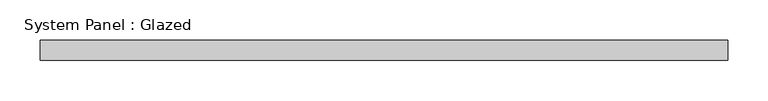
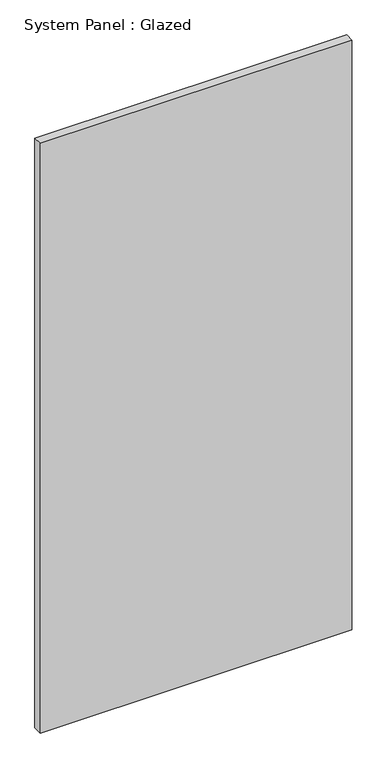
"""IFC4 building model written with IfcOpenShell, lengths in millimetres: plate geometry, System Panel : Glazed."""

import ifcopenshell
import ifcopenshell.guid

model = None  # the IFC model being written
_history = None  # IfcOwnerHistory: only IFC2X3 demands one
_inside = {}  # id of a spatial element -> (the spatial element, [elements in it])
_under = {}  # id of a project, library or spatial element -> (it, [spatial elements below it])
_declared = {}  # id of a project -> (the project, [libraries it declares])
_typed = {}  # id of a type object -> (the type object, [elements of that type])
_made_of = {}  # id of a material, layer set ... -> (it, [elements and type objects made of it])


def new_model(schema):
    """Start an empty IFC model of exactly this schema.

    Asked for "IFC4X3", IfcOpenShell would pick the latest addendum, in which some entities
    have other attributes; the version numbers below select the first issue.
    IFC2X3 requires an IfcOwnerHistory on every rooted entity: one is made here for all.
    """
    global model, _history
    if schema == "IFC4X3":
        model = ifcopenshell.file(schema_version=(4, 3, 0, 0))
    else:
        model = ifcopenshell.file(schema=schema)
    _inside.clear()
    _under.clear()
    _declared.clear()
    _typed.clear()
    _made_of.clear()
    _history = None
    if model.schema == "IFC2X3":
        org = make("IfcOrganization", Name="unknown")
        user = make(
            "IfcPersonAndOrganization",
            ThePerson=make("IfcPerson", FamilyName="unknown"),
            TheOrganization=org,
        )
        app = make(
            "IfcApplication",
            ApplicationDeveloper=org,
            Version="unknown",
            ApplicationFullName="unknown",
            ApplicationIdentifier="unknown",
        )
        _history = make(
            "IfcOwnerHistory",
            OwningUser=user,
            OwningApplication=app,
            ChangeAction="ADDED",
            CreationDate=0,
        )
    return model


def make(cls, **values):
    """One entity of the class cls with the attributes given. An attribute that is None is left unset."""
    return model.create_entity(
        cls, **{name: value for name, value in values.items() if value is not None}
    )


def rooted(cls, **values):
    """An entity with a GlobalId (a new one), such as an element, a storey or a relation."""
    return make(cls, GlobalId=ifcopenshell.guid.new(), OwnerHistory=_history, **values)


def si_unit(unit_type, name, prefix=None):
    """IfcSIUnit, for example si_unit("LENGTHUNIT", "METRE", prefix="MILLI")."""
    return make("IfcSIUnit", UnitType=unit_type, Prefix=prefix, Name=name)


def assignment(units):
    """IfcUnitAssignment: the units of a project."""
    return None if units is None else make("IfcUnitAssignment", Units=units)


def point(xyz):
    """IfcCartesianPoint."""
    return None if xyz is None else make("IfcCartesianPoint", Coordinates=xyz)


def direction(xyz):
    """IfcDirection."""
    return None if xyz is None else make("IfcDirection", DirectionRatios=xyz)


def frame(location, z_axis=None, x_axis=None):
    """IfcAxis2Placement3D, a coordinate frame: its origin and axes. An axis left out is left unset."""
    return make(
        "IfcAxis2Placement3D",
        Location=point(location),
        Axis=direction(z_axis),
        RefDirection=direction(x_axis),
    )


def origin():
    """The frame at (0, 0, 0) with its axes left unset."""
    return frame((0.0, 0.0, 0.0))


def origin_with_axes():
    """The frame at (0, 0, 0) with the z axis (0, 0, 1) and the x axis (1, 0, 0) written out."""
    return frame((0.0, 0.0, 0.0), z_axis=(0.0, 0.0, 1.0), x_axis=(1.0, 0.0, 0.0))


def place(relative_to, where):
    """IfcLocalPlacement: puts the frame where relative to a parent placement (None: the world)."""
    return make(
        "IfcLocalPlacement", PlacementRelTo=relative_to, RelativePlacement=where
    )


def context(
    kind, dimensions, precision=None, world=None, true_north=None, identifier=None
):
    """IfcGeometricRepresentationContext, for example the 3D "Model" context."""
    return make(
        "IfcGeometricRepresentationContext",
        ContextIdentifier=identifier,
        ContextType=kind,
        CoordinateSpaceDimension=dimensions,
        Precision=precision,
        WorldCoordinateSystem=world,
        TrueNorth=true_north,
    )


def project(units=None, contexts=None):
    """IfcProject with its units and contexts."""
    return rooted(
        "IfcProject",
        Name="project",
        RepresentationContexts=contexts,
        UnitsInContext=assignment(units),
    )


def spatial(cls, under=None, at=None, **own):
    """A site, building, storey or space (cls), placed at a placement, below another one or the project."""
    s = rooted(cls, ObjectPlacement=at, **own)
    if under is not None:
        _under.setdefault(under.id(), (under, []))[1].append(s)
    return s


def polyline(points):
    """IfcPolyline through the points."""
    return make("IfcPolyline", Points=[point(p) for p in points])


def outline(outer, holes=None, kind="AREA"):
    """IfcArbitraryClosedProfileDef: a profile drawn as a closed curve; with holes, ...WithVoids."""
    if holes is None:
        return make("IfcArbitraryClosedProfileDef", ProfileType=kind, OuterCurve=outer)
    return make(
        "IfcArbitraryProfileDefWithVoids",
        ProfileType=kind,
        OuterCurve=outer,
        InnerCurves=holes,
    )


def extrude(swept, where, along, depth):
    """IfcExtrudedAreaSolid: the profile swept, set in the frame where, extruded along a direction by depth."""
    return make(
        "IfcExtrudedAreaSolid",
        SweptArea=swept,
        Position=where,
        ExtrudedDirection=direction(along),
        Depth=depth,
    )


def shape(context_of_items, identifier, shape_type, items):
    """IfcShapeRepresentation: the items that make up one representation, for example the "Body"."""
    return make(
        "IfcShapeRepresentation",
        ContextOfItems=context_of_items,
        RepresentationIdentifier=identifier,
        RepresentationType=shape_type,
        Items=items,
    )


def source(mapping_origin, context_of_items, identifier, shape_type, items):
    """IfcRepresentationMap: a shape defined once, which mapped items show again and again."""
    return make(
        "IfcRepresentationMap",
        MappingOrigin=mapping_origin,
        MappedRepresentation=shape(context_of_items, identifier, shape_type, items),
    )


def transform(
    local_origin,
    x_axis=None,
    y_axis=None,
    z_axis=None,
    scale=None,
    scale2=None,
    scale3=None,
    uniform=True,
):
    """IfcCartesianTransformationOperator3D, or its non-uniform kind. x_axis, y_axis, z_axis: its Axis1, 2, 3."""
    if uniform:
        return make(
            "IfcCartesianTransformationOperator3D",
            Axis1=direction(x_axis),
            Axis2=direction(y_axis),
            LocalOrigin=point(local_origin),
            Scale=scale,
            Axis3=direction(z_axis),
        )
    return make(
        "IfcCartesianTransformationOperator3DnonUniform",
        Axis1=direction(x_axis),
        Axis2=direction(y_axis),
        LocalOrigin=point(local_origin),
        Scale=scale,
        Axis3=direction(z_axis),
        Scale2=scale2,
        Scale3=scale3,
    )


def mapped(mapping_source, mapping_target):
    """IfcMappedItem: shows the shape of a source again, moved by a transform."""
    return make(
        "IfcMappedItem", MappingSource=mapping_source, MappingTarget=mapping_target
    )


def made_of(thing, what):
    """Note that an element or type object is made of a material, layer set ...; save() writes the relation."""
    if what is not None:
        _made_of.setdefault(what.id(), (what, []))[1].append(thing)
    return thing


def element(
    cls,
    number,
    at=None,
    inside=None,
    cuts=None,
    type_object=None,
    material=None,
    context=None,
    identifier="Body",
    shape_type=None,
    held_by="IfcProductDefinitionShape",
    body=None,
    shapes=None,
    **own,
):
    """One element of the class cls, such as IfcWall. Its Tag is "e" and its number.

    at: its placement. inside: the storey or other place that contains it. cuts: it is an
    opening in that element (IfcRelVoidsElement). A single representation is given by context,
    identifier, shape_type and body (its items); several are given by shapes. held_by: the class
    of the entity that holds the representations. save() writes the other relations.
    """
    e = rooted(cls, Tag="e%d" % number, ObjectPlacement=at, **own)
    if body is not None:
        shapes = [shape(context, identifier, shape_type, body)]
    if shapes is not None:
        e.Representation = make(held_by, Representations=shapes)
    if inside is not None:
        _inside.setdefault(inside.id(), (inside, []))[1].append(e)
    if cuts is not None:
        rooted(
            "IfcRelVoidsElement", RelatingBuildingElement=cuts, RelatedOpeningElement=e
        )
    if type_object is not None:
        _typed.setdefault(type_object.id(), (type_object, []))[1].append(e)
    return made_of(e, material)


def aggregate(whole, parts):
    """IfcRelAggregates: a whole, such as a stair, and the parts it consists of."""
    return rooted("IfcRelAggregates", RelatingObject=whole, RelatedObjects=parts)


def save(model, path):
    """Write the relations noted so far, then the file.

    IfcRelAggregates (storeys below a building ...), IfcRelContainedInSpatialStructure (elements
    in a storey), IfcRelDefinesByType, IfcRelAssociatesMaterial and IfcRelDeclares: one each for
    every whole, place, type object, material and project.
    """
    for whole, parts in _under.values():
        aggregate(whole, parts)
    for where, things in _inside.values():
        rooted(
            "IfcRelContainedInSpatialStructure",
            RelatedElements=things,
            RelatingStructure=where,
        )
    for kind, things in _typed.values():
        rooted("IfcRelDefinesByType", RelatedObjects=things, RelatingType=kind)
    for what, things in _made_of.values():
        rooted("IfcRelAssociatesMaterial", RelatedObjects=things, RelatingMaterial=what)
    for by, libraries in _declared.values():
        rooted("IfcRelDeclares", RelatingContext=by, RelatedDefinitions=libraries)
    model.write(path)


def system_panel_glazed_e5a9ad7c(model_context):
    return source(origin(), model_context, "Body", "SweptSolid", [
        extrude(outline(polyline([(428.625, -44.45), (-428.625, -44.45), (-428.625, -19.05), (428.625, -19.05), (428.625, -44.45)])), origin_with_axes(), (0.0, 0.0, 1.0), 1714.5),
    ])


if __name__ == "__main__":
    model = new_model("IFC4")
    model_context = context("Model", 3, world=origin())
    ifc_project = project(units=[si_unit("LENGTHUNIT", "METRE", prefix="MILLI")], contexts=[model_context])
    site = spatial("IfcSite", under=ifc_project)
    building = spatial("IfcBuilding", under=site)
    placement = place(None, origin())
    system_panel_glazed_shape = system_panel_glazed_e5a9ad7c(model_context)
    element("IfcPlate", 1, ObjectType="System Panel : Glazed", at=placement, inside=building, context=model_context, shape_type="MappedRepresentation", body=[
        mapped(system_panel_glazed_shape, transform((0.0, 0.0, 0.0), x_axis=(1.0, 0.0, 0.0), y_axis=(0.0, 1.0, 0.0), z_axis=(0.0, 0.0, 1.0))),
    ])
    save(model, "model.ifc")
